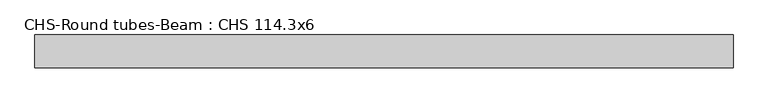
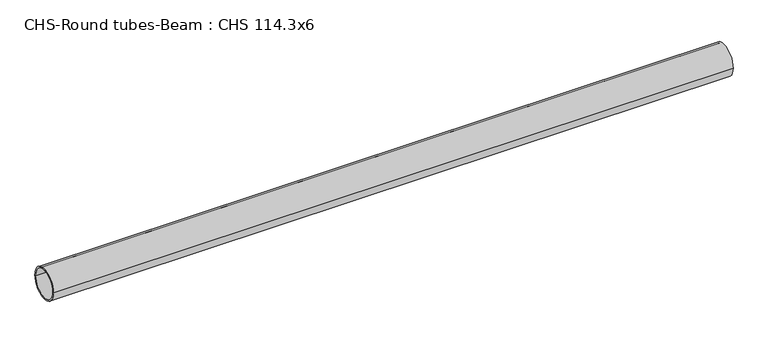
"""IFC4 building model written with IfcOpenShell, lengths in millimetres: beam geometry, CHS-Round tubes-Beam : CHS 114.3x6."""

from ifc_helpers import new_model, si_unit, point, frame, origin, origin_2d, place, context, project, spatial, circle_curve, trimmed, segment, composite_curve, outline, extrude, source, transform, mapped, element, save


def chs_round_tubes_beam_chs_114_3x6_c48e77ea(model_context):
    return source(origin(), model_context, "Body", "SweptSolid", [
        extrude(outline(composite_curve([segment(trimmed(circle_curve(origin_2d(), 57.15), [point((57.15, 0.0))], [point((-57.15, 0.0))], False, "CARTESIAN"), True, "CONTINUOUS"), segment(trimmed(circle_curve(origin_2d(), 57.15), [point((-57.15, 0.0))], [point((57.15, 0.0))], False, "CARTESIAN"), True, "CONTINUOUS")], self_intersect=False), holes=[composite_curve([segment(trimmed(circle_curve(origin_2d(), 51.15), [point((51.15, 0.0))], [point((-51.15, 0.0))], True, "CARTESIAN"), True, "CONTINUOUS"), segment(trimmed(circle_curve(origin_2d(), 51.15), [point((-51.15, 0.0))], [point((51.15, 0.0))], True, "CARTESIAN"), True, "CONTINUOUS")], self_intersect=False)]), frame((-1166.4773229, 0.0, 0.0), z_axis=(1.0, 0.0, 0.0), x_axis=(0.0, 1.0, 0.0)), (0.0, 0.0, 1.0), 2433.9057235),
    ])


if __name__ == "__main__":
    model = new_model("IFC4")
    model_context = context("Model", 3, world=origin())
    ifc_project = project(units=[si_unit("LENGTHUNIT", "METRE", prefix="MILLI")], contexts=[model_context])
    site = spatial("IfcSite", under=ifc_project)
    building = spatial("IfcBuilding", under=site)
    placement = place(None, origin())
    chs_round_tubes_beam_chs_114_3x6_shape = chs_round_tubes_beam_chs_114_3x6_c48e77ea(model_context)
    element("IfcBeam", 1, ObjectType="CHS-Round tubes-Beam : CHS 114.3x6", at=placement, inside=building, context=model_context, shape_type="MappedRepresentation", body=[
        mapped(chs_round_tubes_beam_chs_114_3x6_shape, transform((0.0, 0.0, 0.0), x_axis=(1.0, 0.0, 0.0), y_axis=(0.0, 1.0, 0.0), z_axis=(0.0, 0.0, 1.0))),
    ])
    save(model, "model.ifc")
